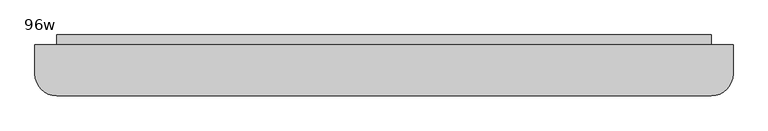
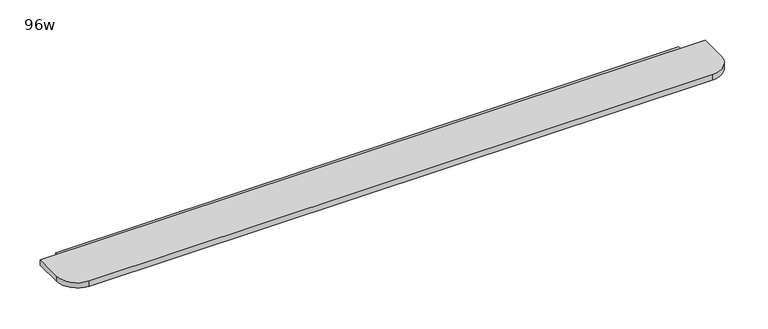
"""IFC4 building model written with IfcOpenShell, lengths in millimetres: furniture geometry, 96w."""

from ifc_helpers import new_model, si_unit, point, frame, frame_2d, origin, place, context, project, spatial, polyline, circle_curve, trimmed, segment, composite_curve, outline, extrude, source, transform, mapped, element, save


def furniture_96w_1c736871(model_context):
    return source(origin(), model_context, "Body", "SweptSolid", [
        extrude(outline(composite_curve([segment(polyline([(1837.0409467, 545.9364026), (1837.0409467, 428.8582776)]), True, "CONTINUOUS"), segment(trimmed(circle_curve(frame_2d((1817.9909467, 428.8582776)), 19.05), [point((1837.0409467, 428.8582776))], [point((1817.9909467, 409.8082776))], False, "CARTESIAN"), True, "CONTINUOUS"), segment(polyline([(1817.9909467, 409.8082776), (-429.9090533, 409.8082776)]), True, "CONTINUOUS"), segment(trimmed(circle_curve(frame_2d((-429.9090533, 428.8582776)), 19.05), [point((-429.9090533, 409.8082776))], [point((-448.9590533, 428.8582776))], False, "CARTESIAN"), True, "CONTINUOUS"), segment(polyline([(-448.9590533, 428.8582776), (-448.9590533, 545.9364026), (1837.0409467, 545.9364026)]), True, "CONTINUOUS")], self_intersect=False)), frame((0.0, 0.0, 996.35945), z_axis=(0.0, 0.0, 1.0), x_axis=(1.0, 0.0, 0.0)), (0.0, 0.0, 1.0), 3.96875),
        extrude(outline(composite_curve([segment(polyline([(1913.2409467, 511.4082776), (1913.2409467, 409.8082776)]), True, "CONTINUOUS"), segment(trimmed(circle_curve(frame_2d((1837.0409467, 409.8082776)), 76.2), [point((1913.2409467, 409.8082776))], [point((1837.0409467, 333.6082776))], False, "CARTESIAN"), True, "CONTINUOUS"), segment(polyline([(1837.0409467, 333.6082776), (-448.9590533, 333.6082776)]), True, "CONTINUOUS"), segment(trimmed(circle_curve(frame_2d((-448.9590533, 409.8082776)), 76.2), [point((-448.9590533, 333.6082776))], [point((-525.1590533, 409.8082776))], False, "CARTESIAN"), True, "CONTINUOUS"), segment(polyline([(-525.1590533, 409.8082776), (-525.1590533, 511.4082776), (1913.2409467, 511.4082776)]), True, "CONTINUOUS")], self_intersect=False)), frame((0.0, 0.0, 1000.3282), z_axis=(0.0, 0.0, 1.0), x_axis=(1.0, 0.0, 0.0)), (0.0, 0.0, 1.0), 19.9429687),
    ])


if __name__ == "__main__":
    model = new_model("IFC4")
    model_context = context("Model", 3, world=origin())
    ifc_project = project(units=[si_unit("LENGTHUNIT", "METRE", prefix="MILLI")], contexts=[model_context])
    site = spatial("IfcSite", under=ifc_project)
    building = spatial("IfcBuilding", under=site)
    placement = place(None, origin())
    furniture_96w_shape = furniture_96w_1c736871(model_context)
    element("IfcFurniture", 1, ObjectType="96w", at=placement, inside=building, context=model_context, shape_type="MappedRepresentation", body=[
        mapped(furniture_96w_shape, transform((0.0, 0.0, 0.0), x_axis=(1.0, 0.0, 0.0), y_axis=(0.0, 1.0, 0.0), z_axis=(0.0, 0.0, 1.0))),
    ])
    save(model, "model.ifc")
